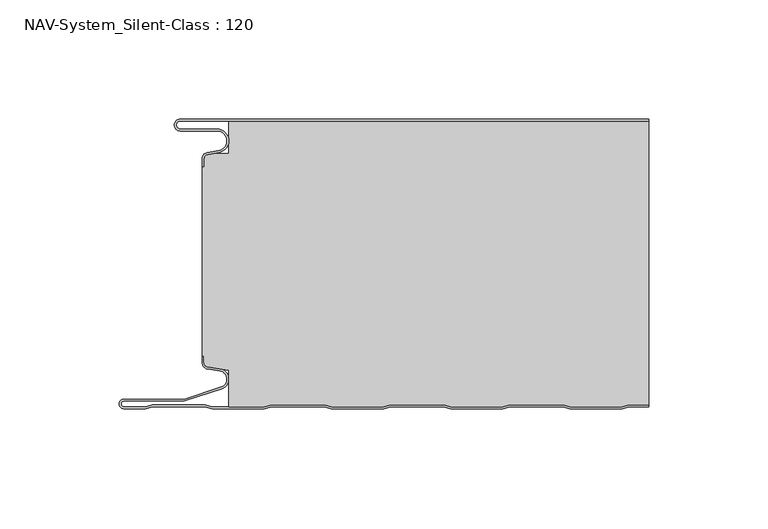
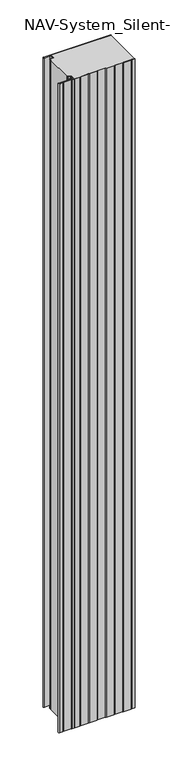
"""IFC4 building model written with IfcOpenShell, lengths in millimetres: plate geometry, NAV-System_Silent-Class : 120."""

from ifc_helpers import new_model, si_unit, frame, origin, place, context, project, spatial, polyline, circle_curve, source, transform, mapped, element, save
from ifc_brep_helpers import plane_surface, cylinder_surface, revolved_surface, advanced_brep


def nav_system_silent_class_120_fe376e25(model_context):
    return source(origin(), model_context, "Body", "AdvancedBrep", [
        advanced_brep(
        [(-97.0000001, -0.8000002, 0.0), (-97.0000001, -4.1999999, 0.0), (-81.6002086, -4.1999999, 0.0), (-80.7423864, -14.0049502, 0.0), (-85.6125665, -14.8636946, 0.0), (-87.1000004, -16.6363494, 0.0), (-87.1000014, -19.9421291, 0.0), (-87.9000014, -19.9421291, 0.0), (-87.9000014, -16.6363484, 0.0), (-85.7514853, -14.0758488, 0.0), (-80.8813015, -13.217104, 0.0), (-81.600205, -4.9999999, 0.0), (-97.0000001, -4.9999999, 0.0), (-97.0000001, 0.0, 0.0), (99.5, 0.0, 0.0), (99.5, -0.8, 0.0), (-97.0000001, 0.0, 2000.0), (-97.0000001, -4.9999999, 2000.0), (-81.600205, -4.9999999, 2000.0), (-80.8813015, -13.217104, 2000.0), (-85.7514853, -14.0758488, 2000.0), (-87.8999997, -16.6363484, 2000.0), (-87.9000014, -19.9421291, 2000.0), (-87.1000014, -19.9421291, 2000.0), (-87.1000014, -16.6363494, 2000.0), (-85.6125665, -14.8636946, 2000.0), (-80.7423864, -14.0049502, 2000.0), (-81.6002086, -4.1999999, 2000.0), (-97.0000001, -4.1999999, 2000.0), (-97.0000001, -0.8000002, 2000.0), (99.5, -0.8, 2000.0), (99.5, 0.0, 2000.0)],
        [
            (0, 1, circle_curve(frame((-97.0000001, -2.5, 0.0), z_axis=(0.0, 0.0, 1.0), x_axis=(1.0, 0.0, 0.0)), 1.6999999)),
            (1, 2),
            (2, 3, circle_curve(frame((-81.6002086, -9.1399999, 0.0), z_axis=(0.0, 0.0, -1.0), x_axis=(1.0, 0.0, 0.0)), 4.94)),
            (3, 4),
            (4, 5, circle_curve(frame((-85.2999995, -16.6363494, 0.0), z_axis=(0.0, 0.0, 1.0), x_axis=(1.0, 0.0, 0.0)), 1.8000009)),
            (5, 6),
            (6, 7),
            (7, 8),
            (8, 9, circle_curve(frame((-85.3000002, -16.6363484, 0.0), z_axis=(0.0, 0.0, -1.0), x_axis=(1.0, 0.0, 0.0)), 2.5999995)),
            (9, 10),
            (10, 11, circle_curve(frame((-81.600205, -9.1399999, 0.0), z_axis=(0.0, 0.0, 1.0), x_axis=(1.0, 0.0, 0.0)), 4.14)),
            (11, 12),
            (12, 13, circle_curve(frame((-97.0000001, -2.4999999, 0.0), z_axis=(0.0, 0.0, -1.0), x_axis=(1.0, 0.0, 0.0)), 2.4999999)),
            (13, 14),
            (14, 15),
            (15, 0),
            (16, 17, circle_curve(frame((-97.0000001, -2.4999999, 2000.0), z_axis=(0.0, 0.0, 1.0), x_axis=(1.0, 0.0, 0.0)), 2.4999999)),
            (17, 18),
            (18, 19, circle_curve(frame((-81.600205, -9.1399999, 2000.0), z_axis=(0.0, 0.0, -1.0), x_axis=(1.0, 0.0, 0.0)), 4.14)),
            (19, 20),
            (20, 21, circle_curve(frame((-85.3000002, -16.6363484, 2000.0), z_axis=(0.0, 0.0, 1.0), x_axis=(1.0, 0.0, 0.0)), 2.5999995)),
            (21, 22),
            (22, 23),
            (23, 24),
            (24, 25, circle_curve(frame((-85.2999995, -16.6363494, 2000.0), z_axis=(0.0, 0.0, -1.0), x_axis=(1.0, 0.0, 0.0)), 1.8000009)),
            (25, 26),
            (26, 27, circle_curve(frame((-81.6002086, -9.1399999, 2000.0), z_axis=(0.0, 0.0, 1.0), x_axis=(1.0, 0.0, 0.0)), 4.94)),
            (27, 28),
            (28, 29, circle_curve(frame((-97.0000001, -2.5, 2000.0), z_axis=(0.0, 0.0, -1.0), x_axis=(1.0, 0.0, 0.0)), 1.6999999)),
            (29, 30),
            (30, 31),
            (31, 16),
            (29, 0),
            (15, 30),
            (13, 16),
            (31, 14),
            (1, 28),
            (27, 2),
            (5, 24),
            (23, 6),
            (22, 7),
            (21, 8),
            (11, 18),
            (17, 12),
            (26, 3),
            (25, 4),
            (20, 9),
            (19, 10),
        ],
        [
            plane_surface(frame((-99.5, 0.0, 0.0), z_axis=(0.0, 0.0, -1.0), x_axis=(0.0, -1.0, 0.0))),
            plane_surface(frame((-99.5, 0.0, 2000.0), z_axis=(0.0, 0.0, 1.0), x_axis=(0.0, -1.0, 0.0))),
            plane_surface(frame((898.5000017, -0.8, 0.0), z_axis=(0.0, -1.0, 0.0), x_axis=(0.0, 0.0, 1.0))),
            plane_surface(frame((-97.0000001, 0.0, 0.0), z_axis=(0.0, 1.0, 0.0), x_axis=(0.0, 0.0, 1.0))),
            plane_surface(frame((-97.0000001, -4.1999999, 0.0), z_axis=(0.0, 1.0, 0.0), x_axis=(0.0, 0.0, 1.0))),
            plane_surface(frame((-87.1000014, -16.6363494, 0.0), z_axis=(1.0, 0.0, 0.0), x_axis=(0.0, 0.0, 1.0))),
            plane_surface(frame((-87.1000014, -19.9421291, 0.0), z_axis=(0.0, -1.0, 0.0), x_axis=(0.0, 0.0, 1.0))),
            plane_surface(frame((-87.9000014, -19.9421291, 0.0), z_axis=(-1.0, 0.0, 0.0), x_axis=(0.0, 0.0, 1.0))),
            plane_surface(frame((-81.600205, -4.9999999, 0.0), z_axis=(0.0, -1.0, 0.0), x_axis=(0.0, 0.0, 1.0))),
            revolved_surface(polyline([(-95.3000002, -2.5, 2000.0), (-95.3000002, -2.5, 0.0)]), (-97.0000001, -2.5, 0.0), (0.0, 0.0, 1.0)),
            cylinder_surface(frame((-81.6002086, -9.1399999, 0.0), z_axis=(0.0, 0.0, -1.0), x_axis=(1.0, 0.0, 0.0)), 4.94),
            plane_surface(frame((-80.7423864, -14.0049502, 0.0), z_axis=(0.17364822279076972, -0.9848077450556567, 0.0), x_axis=(0.0, 0.0, 1.0))),
            revolved_surface(polyline([(-83.4999986, -16.6363494, 2000.0), (-83.4999986, -16.6363494, 0.0)]), (-85.2999995, -16.6363494, 0.0), (0.0, 0.0, 1.0)),
            cylinder_surface(frame((-85.3000002, -16.6363484, 0.0), z_axis=(0.0, 0.0, -1.0), x_axis=(1.0, 0.0, 0.0)), 2.5999995),
            plane_surface(frame((-85.7514853, -14.0758488, 0.0), z_axis=(-0.17364817295915452, 0.984807753842316, 0.0), x_axis=(0.0, 0.0, 1.0))),
            revolved_surface(polyline([(-77.460205, -9.1399999, 2000.0), (-77.460205, -9.1399999, 0.0)]), (-81.600205, -9.1399999, 0.0), (0.0, 0.0, 1.0)),
            cylinder_surface(frame((-97.0000001, -2.4999999, 0.0), z_axis=(0.0, 0.0, -1.0), x_axis=(1.0, 0.0, 0.0)), 2.4999999),
            plane_surface(frame((99.5, 100.0, 2000.0), z_axis=(1.0, 0.0, 0.0), x_axis=(0.0, 0.0, -1.0))),
        ],
        [
            (0, [[1, 2, 3, 4, 5, 6, 7, 8, 9, 10, 11, 12, 13, 14, 15, 16]]),
            (1, [[17, 18, 19, 20, 21, 22, 23, 24, 25, 26, 27, 28, 29, 30, 31, 32]]),
            (2, [[33, -16, 34, -30]]),
            (3, [[35, -32, 36, -14]]),
            (4, [[-2, 37, -28, 38]]),
            (5, [[-6, 39, -24, 40]]),
            (6, [[-7, -40, -23, 41]]),
            (7, [[-8, -41, -22, 42]]),
            (8, [[-12, 43, -18, 44]]),
            (9, [[-1, -33, -29, -37]]),
            (10, [[-3, -38, -27, 45]]),
            (11, [[-4, -45, -26, 46]]),
            (12, [[-5, -46, -25, -39]]),
            (13, [[-9, -42, -21, 47]]),
            (14, [[-10, -47, -20, 48]]),
            (15, [[-11, -48, -19, -43]]),
            (16, [[-13, -44, -17, -35]]),
            (17, [[-15, -36, -31, -34]]),
        ],
    ),
        advanced_brep(
        [(-76.6719045, -0.8, 2000.0), (-76.6719045, -14.4343223, 2000.0), (-83.1891722, -14.4343223, 2000.0), (-85.6242625, -14.8636946, 2000.0), (-87.1116964, -16.636349, 2000.0), (-87.1116974, -19.9512003, 2000.0), (-87.9116974, -19.9512003, 2000.0), (-87.9116974, -99.3983656, 2000.0), (-87.1116974, -99.3983656, 2000.0), (-87.1116974, -102.1656409, 2000.0), (-85.4245663, -104.1410176, 2000.0), (-76.6248082, -105.5347623, 2000.0), (-76.6248082, -120.8, 2000.0), (-61.8218295, -120.8, 2000.0), (-58.7610803, -120.0, 2000.0), (-36.5891849, -120.0, 2000.0), (-33.5284357, -120.8, 2000.0), (-11.8218295, -120.8, 2000.0), (-8.7610803, -120.0, 2000.0), (13.4108151, -120.0, 2000.0), (16.4715643, -120.8, 2000.0), (38.1904, -120.8, 2000.0), (41.2511493, -120.0, 2000.0), (63.4108151, -120.0, 2000.0), (66.4715643, -120.8, 2000.0), (88.1781705, -120.8, 2000.0), (91.2389197, -120.0, 2000.0), (99.5, -120.0, 2000.0), (99.5, -0.8, 2000.0), (91.2389197, -120.0, 0.0), (88.1781705, -120.8, 0.0), (66.4715643, -120.8, 0.0), (63.4108151, -120.0, 0.0), (41.2511493, -120.0, 0.0), (38.1904, -120.8, 0.0), (16.4715643, -120.8, 0.0), (13.4108151, -120.0, 0.0), (-8.7610803, -120.0, 0.0), (-11.8218295, -120.8, 0.0), (-33.5284357, -120.8, 0.0), (-36.5891849, -120.0, 0.0), (-58.7610803, -120.0, 0.0), (-61.8218295, -120.8, 0.0), (-76.6248082, -120.8, 0.0), (-76.6248082, -105.5347623, 0.0), (-85.4245663, -104.1410176, 0.0), (-87.1116974, -102.1656409, 0.0), (-87.1116974, -99.3983656, 0.0), (-87.9116974, -99.3983656, 0.0), (-87.9116974, -19.9512003, 0.0), (-87.1116974, -19.9512003, 0.0), (-87.1116974, -16.636349, 0.0), (-85.6242625, -14.8636946, 0.0), (-83.1891722, -14.4343223, 0.0), (-76.6719045, -14.4343223, 0.0), (-76.6719045, -0.8, 0.0), (99.5, -0.8, 0.0), (99.5, -120.0, 0.0)],
        [
            (0, 1),
            (1, 2),
            (2, 3),
            (3, 4, circle_curve(frame((-85.3116955, -16.6363494, 2000.0), z_axis=(0.0, 0.0, 1.0), x_axis=(1.0, 0.0, 0.0)), 1.8000009)),
            (4, 5),
            (5, 6),
            (6, 7),
            (7, 8),
            (8, 9),
            (9, 10, circle_curve(frame((-85.1116974, -102.1656409, 2000.0), z_axis=(0.0, 0.0, 1.0), x_axis=(1.0, 0.0, 0.0)), 2.0)),
            (10, 11),
            (11, 12),
            (12, 13),
            (13, 14),
            (14, 15),
            (15, 16),
            (16, 17),
            (17, 18),
            (18, 19),
            (19, 20),
            (20, 21),
            (21, 22),
            (22, 23),
            (23, 24),
            (24, 25),
            (25, 26),
            (26, 27),
            (27, 28),
            (28, 0),
            (29, 30),
            (30, 31),
            (31, 32),
            (32, 33),
            (33, 34),
            (34, 35),
            (35, 36),
            (36, 37),
            (37, 38),
            (38, 39),
            (39, 40),
            (40, 41),
            (41, 42),
            (42, 43),
            (43, 44),
            (44, 45),
            (45, 46, circle_curve(frame((-85.1116974, -102.1656409, 0.0), z_axis=(0.0, 0.0, -1.0), x_axis=(1.0, 0.0, 0.0)), 2.0)),
            (46, 47),
            (47, 48),
            (48, 49),
            (49, 50),
            (50, 51),
            (51, 52, circle_curve(frame((-85.3116955, -16.6363494, 0.0), z_axis=(0.0, 0.0, -1.0), x_axis=(1.0, 0.0, 0.0)), 1.8000009)),
            (52, 53),
            (53, 54),
            (54, 55),
            (55, 56),
            (56, 57),
            (57, 29),
            (55, 0),
            (28, 56),
            (54, 1),
            (53, 2),
            (52, 3),
            (51, 4),
            (50, 5),
            (49, 6),
            (48, 7),
            (47, 8),
            (46, 9),
            (45, 10),
            (44, 11),
            (43, 12),
            (42, 13),
            (41, 14),
            (40, 15),
            (39, 16),
            (38, 17),
            (37, 18),
            (36, 19),
            (35, 20),
            (34, 21),
            (33, 22),
            (32, 23),
            (31, 24),
            (30, 25),
            (29, 26),
            (57, 27),
        ],
        [
            plane_surface(frame((-99.5, 0.0, 2000.0), z_axis=(0.0, 0.0, 1.0), x_axis=(0.0, -1.0, 0.0))),
            plane_surface(frame((-99.5, 0.0, 0.0), z_axis=(0.0, 0.0, -1.0), x_axis=(0.0, -1.0, 0.0))),
            plane_surface(frame((898.4883057, -0.8, 2000.0), z_axis=(0.0, 1.0, 0.0), x_axis=(0.0, 0.0, -1.0))),
            plane_surface(frame((-76.6719045, -0.8, 2000.0), z_axis=(-1.0, 0.0, 0.0), x_axis=(0.0, 0.0, -1.0))),
            plane_surface(frame((-76.6719045, -14.4343223, 2000.0), z_axis=(0.0, 1.0, 0.0), x_axis=(0.0, 0.0, -1.0))),
            plane_surface(frame((-83.1891722, -14.4343223, 2000.0), z_axis=(-0.17364822279077605, 0.9848077450556556, 0.0), x_axis=(0.0, 0.0, -1.0))),
            cylinder_surface(frame((-85.3116955, -16.6363494, 2000.0), z_axis=(0.0, 0.0, 1.0), x_axis=(1.0, 0.0, 0.0)), 1.8000009),
            plane_surface(frame((-87.1116974, -16.636349, 2000.0), z_axis=(-1.0, 0.0, 0.0), x_axis=(0.0, 0.0, -1.0))),
            plane_surface(frame((-87.1116974, -19.9512003, 2000.0), z_axis=(0.0, 1.0, 0.0), x_axis=(0.0, 0.0, -1.0))),
            plane_surface(frame((-87.9116974, -19.9512003, 2000.0), z_axis=(-1.0, 0.0, 0.0), x_axis=(0.0, 0.0, -1.0))),
            plane_surface(frame((-87.9116974, -99.3983656, 2000.0), z_axis=(0.0, -1.0, 0.0), x_axis=(0.0, 0.0, -1.0))),
            plane_surface(frame((-87.1116974, -99.3983656, 2000.0), z_axis=(-1.0, 0.0, 0.0), x_axis=(0.0, 0.0, -1.0))),
            cylinder_surface(frame((-85.1116974, -102.1656409, 2000.0), z_axis=(0.0, 0.0, 1.0), x_axis=(1.0, 0.0, 0.0)), 2.0),
            plane_surface(frame((-85.4245663, -104.1410176, 2000.0), z_axis=(-0.15643446503998076, -0.9876883405951774, 0.0), x_axis=(0.0, 0.0, -1.0))),
            plane_surface(frame((-76.6248082, -105.5347623, 2000.0), z_axis=(-1.0, 0.0, 0.0), x_axis=(0.0, 0.0, -1.0))),
            plane_surface(frame((-76.6248082, -120.8, 2000.0), z_axis=(0.0, -1.0, 0.0), x_axis=(0.0, 0.0, -1.0))),
            plane_surface(frame((-61.8218295, -120.8, 2000.0), z_axis=(0.25287873100818337, -0.9674979831522601, 0.0), x_axis=(0.0, 0.0, -1.0))),
            plane_surface(frame((-58.7610803, -120.0, 2000.0), z_axis=(0.0, -1.0, 0.0), x_axis=(0.0, 0.0, -1.0))),
            plane_surface(frame((-36.5891849, -120.0, 2000.0), z_axis=(-0.2528787310100107, -0.9674979831517825, 0.0), x_axis=(0.0, 0.0, -1.0))),
            plane_surface(frame((-33.5284357, -120.8, 2000.0), z_axis=(0.0, -1.0, 0.0), x_axis=(0.0, 0.0, -1.0))),
            plane_surface(frame((-11.8218295, -120.8, 2000.0), z_axis=(0.2528787310082462, -0.9674979831522437, 0.0), x_axis=(0.0, 0.0, -1.0))),
            plane_surface(frame((-8.7610803, -120.0, 2000.0), z_axis=(0.0, -1.0, 0.0), x_axis=(0.0, 0.0, -1.0))),
            plane_surface(frame((13.4108151, -120.0, 2000.0), z_axis=(-0.25287873100843644, -0.9674979831521939, 0.0), x_axis=(0.0, 0.0, -1.0))),
            plane_surface(frame((16.4715643, -120.8, 2000.0), z_axis=(0.0, -1.0, 0.0), x_axis=(0.0, 0.0, -1.0))),
            plane_surface(frame((38.1904, -120.8, 2000.0), z_axis=(0.25287873100806824, -0.9674979831522902, 0.0), x_axis=(0.0, 0.0, -1.0))),
            plane_surface(frame((41.2511493, -120.0, 2000.0), z_axis=(0.0, -1.0, 0.0), x_axis=(0.0, 0.0, -1.0))),
            plane_surface(frame((63.4108151, -120.0, 2000.0), z_axis=(-0.25287873100835406, -0.9674979831522155, 0.0), x_axis=(0.0, 0.0, -1.0))),
            plane_surface(frame((66.4715643, -120.8, 2000.0), z_axis=(0.0, -1.0, 0.0), x_axis=(0.0, 0.0, -1.0))),
            plane_surface(frame((88.1781705, -120.8, 2000.0), z_axis=(0.25287873100822345, -0.9674979831522497, 0.0), x_axis=(0.0, 0.0, -1.0))),
            plane_surface(frame((91.2389197, -120.0, 2000.0), z_axis=(0.0, -1.0, 0.0), x_axis=(0.0, 0.0, -1.0))),
            plane_surface(frame((99.5, 100.0, 2000.0), z_axis=(1.0, 0.0, 0.0), x_axis=(0.0, 0.0, -1.0))),
        ],
        [
            (0, [[1, 2, 3, 4, 5, 6, 7, 8, 9, 10, 11, 12, 13, 14, 15, 16, 17, 18, 19, 20, 21, 22, 23, 24, 25, 26, 27, 28, 29]]),
            (1, [[30, 31, 32, 33, 34, 35, 36, 37, 38, 39, 40, 41, 42, 43, 44, 45, 46, 47, 48, 49, 50, 51, 52, 53, 54, 55, 56, 57, 58]]),
            (2, [[59, -29, 60, -56]]),
            (3, [[-1, -59, -55, 61]]),
            (4, [[-2, -61, -54, 62]]),
            (5, [[-3, -62, -53, 63]]),
            (6, [[-4, -63, -52, 64]]),
            (7, [[-5, -64, -51, 65]]),
            (8, [[-6, -65, -50, 66]]),
            (9, [[-7, -66, -49, 67]]),
            (10, [[-8, -67, -48, 68]]),
            (11, [[-9, -68, -47, 69]]),
            (12, [[-10, -69, -46, 70]]),
            (13, [[-11, -70, -45, 71]]),
            (14, [[-12, -71, -44, 72]]),
            (15, [[-13, -72, -43, 73]]),
            (16, [[-14, -73, -42, 74]]),
            (17, [[-15, -74, -41, 75]]),
            (18, [[-16, -75, -40, 76]]),
            (19, [[-17, -76, -39, 77]]),
            (20, [[-18, -77, -38, 78]]),
            (21, [[-19, -78, -37, 79]]),
            (22, [[-20, -79, -36, 80]]),
            (23, [[-21, -80, -35, 81]]),
            (24, [[-22, -81, -34, 82]]),
            (25, [[-23, -82, -33, 83]]),
            (26, [[-24, -83, -32, 84]]),
            (27, [[-25, -84, -31, 85]]),
            (28, [[-26, -85, -30, 86]]),
            (29, [[-86, -58, 87, -27]]),
            (30, [[-28, -87, -57, -60]]),
        ],
    ),
        advanced_brep(
        [(91.239397, -120.0, 2000.0), (88.1786477, -120.8, 2000.0), (66.4720416, -120.8, 2000.0), (63.4112923, -120.0, 2000.0), (41.2516265, -120.0, 2000.0), (38.1908772, -120.8, 2000.0), (16.4720416, -120.8, 2000.0), (13.4112923, -120.0, 2000.0), (-8.760603, -120.0, 2000.0), (-11.8213523, -120.8, 2000.0), (-33.5279584, -120.8, 2000.0), (-36.5887077, -120.0, 2000.0), (-58.760603, -120.0, 2000.0), (-61.8213523, -120.8, 2000.0), (-83.5279584, -120.8, 2000.0), (-86.5887077, -120.0, 2000.0), (-108.760603, -120.0, 2000.0), (-111.8190206, -120.7993906, 2000.0), (-120.7154182, -120.7993906, 2000.0), (-120.6771783, -118.4000003, 2000.0), (-95.3414726, -118.4000003, 2000.0), (-79.6231923, -113.2926893, 2000.0), (-80.2358126, -104.9629887, 2000.0), (-85.4240891, -104.1412465, 2000.0), (-87.1112201, -102.1658698, 2000.0), (-87.1112201, -99.3985945, 2000.0), (-87.9112201, -99.3985945, 2000.0), (-87.9112201, -102.1658698, 2000.0), (-85.5140582, -104.93674, 2000.0), (-80.4044746, -105.7460185, 2000.0), (-79.8704103, -112.5316172, 2000.0), (-95.4681798, -117.6000003, 2000.0), (-120.6771783, -117.6000003, 2000.0), (-120.726556, -121.5993906, 2000.0), (-111.7161981, -121.5993906, 2000.0), (-108.6577806, -120.8, 2000.0), (-86.6915302, -120.8, 2000.0), (-83.6307809, -121.6, 2000.0), (-61.7185298, -121.6, 2000.0), (-58.6577806, -120.8, 2000.0), (-36.6915302, -120.8, 2000.0), (-33.6307809, -121.6, 2000.0), (-11.7185298, -121.6, 2000.0), (-8.6577806, -120.8, 2000.0), (13.3084698, -120.8, 2000.0), (16.3692191, -121.6, 2000.0), (38.2936997, -121.6, 2000.0), (41.354449, -120.8, 2000.0), (63.3084698, -120.8, 2000.0), (66.3692191, -121.6, 2000.0), (88.2814702, -121.6, 2000.0), (91.3422194, -120.8, 2000.0), (99.5, -120.8, 2000.0), (99.5, -120.0, 2000.0), (91.3422194, -120.8, 0.0), (88.2814702, -121.6, 0.0), (66.3692191, -121.6, 0.0), (63.3084698, -120.8, 0.0), (41.354449, -120.8, 0.0), (38.2936997, -121.6, 0.0), (16.3692191, -121.6, 0.0), (13.3084698, -120.8, 0.0), (-8.6577806, -120.8, 0.0), (-11.7185298, -121.6, 0.0), (-33.6307809, -121.6, 0.0), (-36.6915302, -120.8, 0.0), (-58.6577806, -120.8, 0.0), (-61.7185298, -121.6, 0.0), (-83.6307809, -121.6, 0.0), (-86.6915302, -120.8, 0.0), (-108.6577806, -120.8, 0.0), (-111.7161981, -121.5993906, 0.0), (-120.726556, -121.5993906, 0.0), (-120.6771783, -117.6000003, 0.0), (-95.4681798, -117.6000003, 0.0), (-79.8704103, -112.5318461, 0.0), (-80.4044746, -105.7460185, 0.0), (-85.5140582, -104.93674, 0.0), (-87.9112201, -102.1658698, 0.0), (-87.9112201, -99.3985945, 0.0), (-87.1112201, -99.3985945, 0.0), (-87.1112201, -102.1658698, 0.0), (-85.4240891, -104.1412465, 0.0), (-80.2358126, -104.9629887, 0.0), (-79.6231923, -113.2924604, 0.0), (-95.3414726, -118.4000003, 0.0), (-120.6771783, -118.4000003, 0.0), (-120.7154182, -120.7993906, 0.0), (-111.8190206, -120.7993906, 0.0), (-108.760603, -120.0, 0.0), (-86.5887077, -120.0, 0.0), (-83.5279584, -120.8, 0.0), (-61.8213523, -120.8, 0.0), (-58.760603, -120.0, 0.0), (-36.5887077, -120.0, 0.0), (-33.5279584, -120.8, 0.0), (-11.8213523, -120.8, 0.0), (-8.760603, -120.0, 0.0), (13.4112923, -120.0, 0.0), (16.4720416, -120.8, 0.0), (38.1908772, -120.8, 0.0), (41.2516265, -120.0, 0.0), (63.4112923, -120.0, 0.0), (66.4720416, -120.8, 0.0), (88.1786477, -120.8, 0.0), (91.239397, -120.0, 0.0), (99.5, -120.0, 0.0), (99.5, -120.8, 0.0)],
        [
            (0, 1),
            (1, 2),
            (2, 3),
            (3, 4),
            (4, 5),
            (5, 6),
            (6, 7),
            (7, 8),
            (8, 9),
            (9, 10),
            (10, 11),
            (11, 12),
            (12, 13),
            (13, 14),
            (14, 15),
            (15, 16),
            (16, 17),
            (17, 18),
            (18, 19, circle_curve(frame((-120.6771783, -119.6000001, 2000.0), z_axis=(0.0, 0.0, -1.0), x_axis=(1.0, 0.0, 0.0)), 1.1999999)),
            (19, 20),
            (20, 21),
            (21, 22, circle_curve(frame((-80.9519964, -109.2029275, 2000.0), z_axis=(0.0, 0.0, 1.0), x_axis=(1.0, 0.0, 0.0)), 4.3)),
            (22, 23),
            (23, 24, circle_curve(frame((-85.1112201, -102.1658698, 2000.0), z_axis=(0.0, 0.0, -1.0), x_axis=(1.0, 0.0, 0.0)), 2.0)),
            (24, 25),
            (25, 26),
            (26, 27),
            (27, 28, circle_curve(frame((-85.1112201, -102.1658698, 2000.0), z_axis=(0.0, 0.0, 1.0), x_axis=(1.0, 0.0, 0.0)), 2.8)),
            (28, 29),
            (29, 30, circle_curve(frame((-80.9519952, -109.2029277, 2000.0), z_axis=(0.0, 0.0, -1.0), x_axis=(1.0, 0.0, 0.0)), 3.5)),
            (30, 31),
            (31, 32),
            (32, 33, circle_curve(frame((-120.6771783, -119.6000003, 2000.0), z_axis=(0.0, 0.0, 1.0), x_axis=(1.0, 0.0, 0.0)), 1.9999999)),
            (33, 34),
            (34, 35),
            (35, 36),
            (36, 37),
            (37, 38),
            (38, 39),
            (39, 40),
            (40, 41),
            (41, 42),
            (42, 43),
            (43, 44),
            (44, 45),
            (45, 46),
            (46, 47),
            (47, 48),
            (48, 49),
            (49, 50),
            (50, 51),
            (51, 52),
            (52, 53),
            (53, 0),
            (54, 55),
            (55, 56),
            (56, 57),
            (57, 58),
            (58, 59),
            (59, 60),
            (60, 61),
            (61, 62),
            (62, 63),
            (63, 64),
            (64, 65),
            (65, 66),
            (66, 67),
            (67, 68),
            (68, 69),
            (69, 70),
            (70, 71),
            (71, 72),
            (72, 73, circle_curve(frame((-120.6771783, -119.6000003, 0.0), z_axis=(0.0, 0.0, -1.0), x_axis=(1.0, 0.0, 0.0)), 1.9999999)),
            (73, 74),
            (74, 75),
            (75, 76, circle_curve(frame((-80.9519952, -109.2029277, 0.0), z_axis=(0.0, 0.0, 1.0), x_axis=(1.0, 0.0, 0.0)), 3.5)),
            (76, 77),
            (77, 78, circle_curve(frame((-85.1112201, -102.1658698, 0.0), z_axis=(0.0, 0.0, -1.0), x_axis=(1.0, 0.0, 0.0)), 2.8)),
            (78, 79),
            (79, 80),
            (80, 81),
            (81, 82, circle_curve(frame((-85.1112201, -102.1658698, 0.0), z_axis=(0.0, 0.0, 1.0), x_axis=(1.0, 0.0, 0.0)), 2.0)),
            (82, 83),
            (83, 84, circle_curve(frame((-80.9519964, -109.2029275, 0.0), z_axis=(0.0, 0.0, -1.0), x_axis=(1.0, 0.0, 0.0)), 4.3)),
            (84, 85),
            (85, 86),
            (86, 87, circle_curve(frame((-120.6771783, -119.6000001, 0.0), z_axis=(0.0, 0.0, 1.0), x_axis=(1.0, 0.0, 0.0)), 1.1999999)),
            (87, 88),
            (88, 89),
            (89, 90),
            (90, 91),
            (91, 92),
            (92, 93),
            (93, 94),
            (94, 95),
            (95, 96),
            (96, 97),
            (97, 98),
            (98, 99),
            (99, 100),
            (100, 101),
            (101, 102),
            (102, 103),
            (103, 104),
            (104, 105),
            (105, 106),
            (106, 107),
            (107, 54),
            (17, 88),
            (87, 18),
            (86, 19),
            (85, 20),
            (84, 21),
            (22, 83),
            (82, 23),
            (81, 24),
            (80, 25),
            (79, 26),
            (78, 27),
            (77, 28),
            (30, 75),
            (74, 31),
            (73, 32),
            (72, 33),
            (71, 34),
            (105, 0),
            (53, 106),
            (104, 1),
            (103, 2),
            (102, 3),
            (101, 4),
            (100, 5),
            (99, 6),
            (98, 7),
            (97, 8),
            (96, 9),
            (95, 10),
            (94, 11),
            (93, 12),
            (92, 13),
            (91, 14),
            (90, 15),
            (89, 16),
            (76, 29),
            (70, 35),
            (69, 36),
            (68, 37),
            (67, 38),
            (66, 39),
            (65, 40),
            (64, 41),
            (63, 42),
            (62, 43),
            (61, 44),
            (60, 45),
            (59, 46),
            (58, 47),
            (57, 48),
            (56, 49),
            (55, 50),
            (54, 51),
            (107, 52),
        ],
        [
            plane_surface(frame((-99.5, -121.6, 2000.0), z_axis=(0.0, 0.0, 1.0), x_axis=(-1.0, 0.0, 0.0))),
            plane_surface(frame((-99.5, -121.6, 0.0), z_axis=(0.0, 0.0, -1.0), x_axis=(-1.0, 0.0, 0.0))),
            plane_surface(frame((-111.8190206, -120.7993906, 2000.0), z_axis=(0.0, 1.0, 0.0), x_axis=(0.0, 0.0, -1.0))),
            revolved_surface(polyline([(-119.4771784, -119.6000001, 0.0), (-119.4771784, -119.6000001, 2000.0)]), (-120.6771783, -119.6000001, 2000.0), (0.0, 0.0, -1.0)),
            plane_surface(frame((-120.6771783, -118.4000003, 2000.0), z_axis=(0.0, -1.0, 0.0), x_axis=(0.0, 0.0, -1.0))),
            plane_surface(frame((-95.3414726, -118.4000003, 2000.0), z_axis=(0.30902422182651945, -0.9510541679234229, 0.0), x_axis=(0.0, 0.0, -1.0))),
            plane_surface(frame((-80.2358126, -104.9629887, 2000.0), z_axis=(0.15643446504003203, 0.9876883405951694, 0.0), x_axis=(0.0, 0.0, -1.0))),
            revolved_surface(polyline([(-83.1112201, -102.1658698, 0.0), (-83.1112201, -102.1658698, 2000.0)]), (-85.1112201, -102.1658698, 2000.0), (0.0, 0.0, -1.0)),
            plane_surface(frame((-87.1112201, -102.1658698, 2000.0), z_axis=(1.0, 0.0, 0.0), x_axis=(0.0, 0.0, -1.0))),
            plane_surface(frame((-87.1112201, -99.3985945, 2000.0), z_axis=(0.0, 1.0, 0.0), x_axis=(0.0, 0.0, -1.0))),
            plane_surface(frame((-87.9112201, -99.3985945, 2000.0), z_axis=(-1.0, 0.0, 0.0), x_axis=(0.0, 0.0, -1.0))),
            cylinder_surface(frame((-85.1112201, -102.1658698, 2000.0), z_axis=(0.0, 0.0, 1.0), x_axis=(1.0, 0.0, 0.0)), 2.8),
            plane_surface(frame((-79.8704103, -112.5318461, 2000.0), z_axis=(-0.3090242543637345, 0.9510541573511668, 0.0), x_axis=(0.0, 0.0, -1.0))),
            plane_surface(frame((-95.4681798, -117.6000003, 2000.0), z_axis=(0.0, 1.0, 0.0), x_axis=(0.0, 0.0, -1.0))),
            cylinder_surface(frame((-120.6771783, -119.6000003, 2000.0), z_axis=(0.0, 0.0, 1.0), x_axis=(1.0, 0.0, 0.0)), 1.9999999),
            plane_surface(frame((-120.726556, -121.5993906, 2000.0), z_axis=(0.0, -1.0, 0.0), x_axis=(0.0, 0.0, -1.0))),
            plane_surface(frame((113.4112923, -120.0, 2000.0), z_axis=(0.0, 1.0, 0.0), x_axis=(0.0, 0.0, -1.0))),
            plane_surface(frame((91.239397, -120.0, 2000.0), z_axis=(-0.25287873100816, 0.9674979831522662, 0.0), x_axis=(0.0, 0.0, -1.0))),
            plane_surface(frame((88.1786477, -120.8, 2000.0), z_axis=(0.0, 1.0, 0.0), x_axis=(0.0, 0.0, -1.0))),
            plane_surface(frame((66.4720416, -120.8, 2000.0), z_axis=(0.2528787310081598, 0.9674979831522662, 0.0), x_axis=(0.0, 0.0, -1.0))),
            plane_surface(frame((63.4112923, -120.0, 2000.0), z_axis=(0.0, 1.0, 0.0), x_axis=(0.0, 0.0, -1.0))),
            plane_surface(frame((41.2516265, -120.0, 2000.0), z_axis=(-0.25287873100816, 0.9674979831522662, 0.0), x_axis=(0.0, 0.0, -1.0))),
            plane_surface(frame((38.1908772, -120.8, 2000.0), z_axis=(0.0, 1.0, 0.0), x_axis=(0.0, 0.0, -1.0))),
            plane_surface(frame((16.4720416, -120.8, 2000.0), z_axis=(0.2528787310083406, 0.9674979831522191, 0.0), x_axis=(0.0, 0.0, -1.0))),
            plane_surface(frame((13.4112923, -120.0, 2000.0), z_axis=(0.0, 1.0, 0.0), x_axis=(0.0, 0.0, -1.0))),
            plane_surface(frame((-8.760603, -120.0, 2000.0), z_axis=(-0.25287873100834074, 0.9674979831522189, 0.0), x_axis=(0.0, 0.0, -1.0))),
            plane_surface(frame((-11.8213523, -120.8, 2000.0), z_axis=(0.0, 1.0, 0.0), x_axis=(0.0, 0.0, -1.0))),
            plane_surface(frame((-33.5279584, -120.8, 2000.0), z_axis=(0.2528787310081598, 0.9674979831522662, 0.0), x_axis=(0.0, 0.0, -1.0))),
            plane_surface(frame((-36.5887077, -120.0, 2000.0), z_axis=(0.0, 1.0, 0.0), x_axis=(0.0, 0.0, -1.0))),
            plane_surface(frame((-58.760603, -120.0, 2000.0), z_axis=(-0.25287873100816, 0.9674979831522662, 0.0), x_axis=(0.0, 0.0, -1.0))),
            plane_surface(frame((-61.8213523, -120.8, 2000.0), z_axis=(0.0, 1.0, 0.0), x_axis=(0.0, 0.0, -1.0))),
            plane_surface(frame((-83.5279584, -120.8, 2000.0), z_axis=(0.2528787310081598, 0.9674979831522662, 0.0), x_axis=(0.0, 0.0, -1.0))),
            plane_surface(frame((-86.5887077, -120.0, 2000.0), z_axis=(0.0, 1.0, 0.0), x_axis=(0.0, 0.0, -1.0))),
            plane_surface(frame((-108.760603, -120.0, 2000.0), z_axis=(-0.25287873100816, 0.9674979831522662, 0.0), x_axis=(0.0, 0.0, -1.0))),
            cylinder_surface(frame((-80.9519964, -109.2029275, 2000.0), z_axis=(0.0, 0.0, 1.0), x_axis=(1.0, 0.0, 0.0)), 4.3),
            plane_surface(frame((-85.5140582, -104.93674, 2000.0), z_axis=(-0.15643446504045883, -0.9876883405951018, 0.0), x_axis=(0.0, 0.0, -1.0))),
            revolved_surface(polyline([(-77.4519952, -109.2029277, 0.0), (-77.4519952, -109.2029277, 2000.0)]), (-80.9519952, -109.2029277, 2000.0), (0.0, 0.0, -1.0)),
            plane_surface(frame((-111.7161981, -121.5993906, 2000.0), z_axis=(0.25287873100765673, -0.9674979831523978, 0.0), x_axis=(0.0, 0.0, -1.0))),
            plane_surface(frame((-108.6577806, -120.8, 2000.0), z_axis=(0.0, -1.0, 0.0), x_axis=(0.0, 0.0, -1.0))),
            plane_surface(frame((-86.6915302, -120.8, 2000.0), z_axis=(-0.2528787310076565, -0.9674979831523979, 0.0), x_axis=(0.0, 0.0, -1.0))),
            plane_surface(frame((-83.6307809, -121.6, 2000.0), z_axis=(0.0, -1.0, 0.0), x_axis=(0.0, 0.0, -1.0))),
            plane_surface(frame((-61.7185298, -121.6, 2000.0), z_axis=(0.25287873100765673, -0.9674979831523978, 0.0), x_axis=(0.0, 0.0, -1.0))),
            plane_surface(frame((-58.6577806, -120.8, 2000.0), z_axis=(0.0, -1.0, 0.0), x_axis=(0.0, 0.0, -1.0))),
            plane_surface(frame((-36.6915302, -120.8, 2000.0), z_axis=(-0.2528787310078372, -0.9674979831523505, 0.0), x_axis=(0.0, 0.0, -1.0))),
            plane_surface(frame((-33.6307809, -121.6, 2000.0), z_axis=(0.0, -1.0, 0.0), x_axis=(0.0, 0.0, -1.0))),
            plane_surface(frame((-11.7185298, -121.6, 2000.0), z_axis=(0.2528787310078374, -0.9674979831523505, 0.0), x_axis=(0.0, 0.0, -1.0))),
            plane_surface(frame((-8.6577806, -120.8, 2000.0), z_axis=(0.0, -1.0, 0.0), x_axis=(0.0, 0.0, -1.0))),
            plane_surface(frame((13.3084698, -120.8, 2000.0), z_axis=(-0.2528787310078372, -0.9674979831523505, 0.0), x_axis=(0.0, 0.0, -1.0))),
            plane_surface(frame((16.3692191, -121.6, 2000.0), z_axis=(0.0, -1.0, 0.0), x_axis=(0.0, 0.0, -1.0))),
            plane_surface(frame((38.2936997, -121.6, 2000.0), z_axis=(0.2528787310083481, -0.967497983152217, 0.0), x_axis=(0.0, 0.0, -1.0))),
            plane_surface(frame((41.354449, -120.8, 2000.0), z_axis=(0.0, -1.0, 0.0), x_axis=(0.0, 0.0, -1.0))),
            plane_surface(frame((63.3084698, -120.8, 2000.0), z_axis=(-0.2528787310076565, -0.9674979831523979, 0.0), x_axis=(0.0, 0.0, -1.0))),
            plane_surface(frame((66.3692191, -121.6, 2000.0), z_axis=(0.0, -1.0, 0.0), x_axis=(0.0, 0.0, -1.0))),
            plane_surface(frame((88.2814702, -121.6, 2000.0), z_axis=(0.25287873100765673, -0.9674979831523978, 0.0), x_axis=(0.0, 0.0, -1.0))),
            plane_surface(frame((91.3422194, -120.8, 2000.0), z_axis=(0.0, -1.0, 0.0), x_axis=(0.0, 0.0, -1.0))),
            plane_surface(frame((99.5, 100.0, 2000.0), z_axis=(1.0, 0.0, 0.0), x_axis=(0.0, 0.0, -1.0))),
        ],
        [
            (0, [[1, 2, 3, 4, 5, 6, 7, 8, 9, 10, 11, 12, 13, 14, 15, 16, 17, 18, 19, 20, 21, 22, 23, 24, 25, 26, 27, 28, 29, 30, 31, 32, 33, 34, 35, 36, 37, 38, 39, 40, 41, 42, 43, 44, 45, 46, 47, 48, 49, 50, 51, 52, 53, 54]]),
            (1, [[55, 56, 57, 58, 59, 60, 61, 62, 63, 64, 65, 66, 67, 68, 69, 70, 71, 72, 73, 74, 75, 76, 77, 78, 79, 80, 81, 82, 83, 84, 85, 86, 87, 88, 89, 90, 91, 92, 93, 94, 95, 96, 97, 98, 99, 100, 101, 102, 103, 104, 105, 106, 107, 108]]),
            (2, [[-18, 109, -88, 110]]),
            (3, [[-19, -110, -87, 111]]),
            (4, [[-20, -111, -86, 112]]),
            (5, [[-21, -112, -85, 113]]),
            (6, [[-23, 114, -83, 115]]),
            (7, [[-24, -115, -82, 116]]),
            (8, [[-25, -116, -81, 117]]),
            (9, [[-26, -117, -80, 118]]),
            (10, [[-27, -118, -79, 119]]),
            (11, [[-28, -119, -78, 120]]),
            (12, [[-31, 121, -75, 122]]),
            (13, [[-32, -122, -74, 123]]),
            (14, [[-33, -123, -73, 124]]),
            (15, [[-34, -124, -72, 125]]),
            (16, [[126, -54, 127, -106]]),
            (17, [[-1, -126, -105, 128]]),
            (18, [[-2, -128, -104, 129]]),
            (19, [[-3, -129, -103, 130]]),
            (20, [[-4, -130, -102, 131]]),
            (21, [[-5, -131, -101, 132]]),
            (22, [[-6, -132, -100, 133]]),
            (23, [[-7, -133, -99, 134]]),
            (24, [[-8, -134, -98, 135]]),
            (25, [[-9, -135, -97, 136]]),
            (26, [[-10, -136, -96, 137]]),
            (27, [[-11, -137, -95, 138]]),
            (28, [[-12, -138, -94, 139]]),
            (29, [[-13, -139, -93, 140]]),
            (30, [[-14, -140, -92, 141]]),
            (31, [[-15, -141, -91, 142]]),
            (32, [[-16, -142, -90, 143]]),
            (33, [[-17, -143, -89, -109]]),
            (34, [[-22, -113, -84, -114]]),
            (35, [[-29, -120, -77, 144]]),
            (36, [[-30, -144, -76, -121]]),
            (37, [[-35, -125, -71, 145]]),
            (38, [[-36, -145, -70, 146]]),
            (39, [[-37, -146, -69, 147]]),
            (40, [[-38, -147, -68, 148]]),
            (41, [[-39, -148, -67, 149]]),
            (42, [[-40, -149, -66, 150]]),
            (43, [[-41, -150, -65, 151]]),
            (44, [[-42, -151, -64, 152]]),
            (45, [[-43, -152, -63, 153]]),
            (46, [[-44, -153, -62, 154]]),
            (47, [[-45, -154, -61, 155]]),
            (48, [[-46, -155, -60, 156]]),
            (49, [[-47, -156, -59, 157]]),
            (50, [[-48, -157, -58, 158]]),
            (51, [[-49, -158, -57, 159]]),
            (52, [[-50, -159, -56, 160]]),
            (53, [[-51, -160, -55, 161]]),
            (54, [[-161, -108, 162, -52]]),
            (55, [[-53, -162, -107, -127]]),
        ],
    ),
    ])


if __name__ == "__main__":
    model = new_model("IFC4")
    model_context = context("Model", 3, world=origin())
    ifc_project = project(units=[si_unit("LENGTHUNIT", "METRE", prefix="MILLI")], contexts=[model_context])
    site = spatial("IfcSite", under=ifc_project)
    building = spatial("IfcBuilding", under=site)
    placement = place(None, origin())
    nav_system_silent_class_120_shape = nav_system_silent_class_120_fe376e25(model_context)
    element("IfcPlate", 1, ObjectType="NAV-System_Silent-Class : 120", at=placement, inside=building, context=model_context, shape_type="MappedRepresentation", body=[
        mapped(nav_system_silent_class_120_shape, transform((0.0, 0.0, 0.0), x_axis=(1.0, 0.0, 0.0), y_axis=(0.0, 1.0, 0.0), z_axis=(0.0, 0.0, 1.0))),
    ])
    save(model, "model.ifc")
